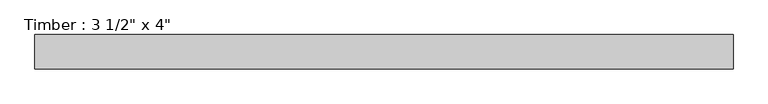
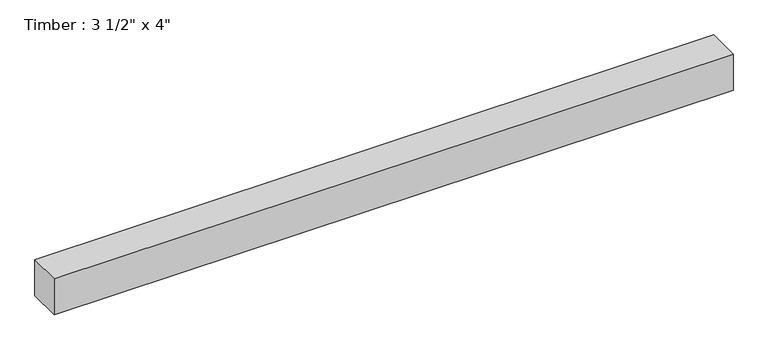
"""IFC4 building model written with IfcOpenShell, lengths in millimetres: beam geometry."""

from ifc_helpers import new_model, si_unit, frame, origin, place, context, project, spatial, polyline, outline, extrude, source, transform, mapped, element, save


def beam_1b73ba49(model_context):
    return source(origin(), model_context, "Body", "SweptSolid", [
        extrude(outline(polyline([(905.0212917, 44.45), (905.0212917, -44.45), (-905.0212917, -44.45), (-905.0212917, 44.45), (905.0212917, 44.45)])), frame((0.0, 0.0, -50.8), z_axis=(0.0, 0.0, 1.0), x_axis=(1.0, 0.0, 0.0)), (0.0, 0.0, 1.0), 101.6),
    ])


if __name__ == "__main__":
    model = new_model("IFC4")
    model_context = context("Model", 3, world=origin())
    ifc_project = project(units=[si_unit("LENGTHUNIT", "METRE", prefix="MILLI")], contexts=[model_context])
    site = spatial("IfcSite", under=ifc_project)
    building = spatial("IfcBuilding", under=site)
    placement = place(None, origin())
    beam_shape = beam_1b73ba49(model_context)
    element("IfcBeam", 1, ObjectType="Timber : 3 1/2\" x 4\"", at=placement, inside=building, context=model_context, shape_type="MappedRepresentation", body=[
        mapped(beam_shape, transform((0.0, 0.0, 0.0), x_axis=(1.0, 0.0, 0.0), y_axis=(0.0, 1.0, 0.0), z_axis=(0.0, 0.0, 1.0))),
    ])
    save(model, "model.ifc")
